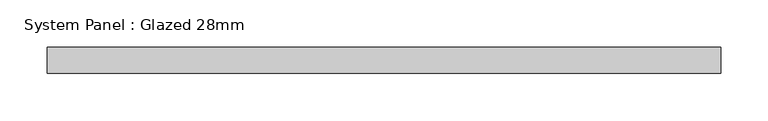
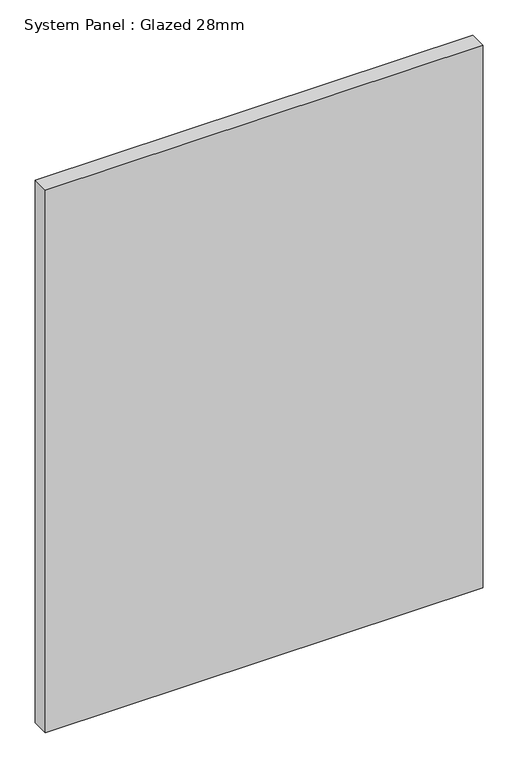
"""IFC4 building model written with IfcOpenShell, lengths in millimetres: plate geometry, System Panel : Glazed 28mm."""

from ifc_helpers import new_model, si_unit, origin, origin_with_axes, place, context, project, spatial, polyline, outline, extrude, source, transform, mapped, element, save


def system_panel_glazed_28mm_413e9029(model_context):
    return source(origin(), model_context, "Body", "SweptSolid", [
        extrude(outline(polyline([(358.0500179, -14.0), (-358.0500179, -14.0), (-358.0500179, 14.0), (358.0500179, 14.0), (358.0500179, -14.0)])), origin_with_axes(), (0.0, 0.0, 1.0), 938.0064583),
    ])


if __name__ == "__main__":
    model = new_model("IFC4")
    model_context = context("Model", 3, world=origin())
    ifc_project = project(units=[si_unit("LENGTHUNIT", "METRE", prefix="MILLI")], contexts=[model_context])
    site = spatial("IfcSite", under=ifc_project)
    building = spatial("IfcBuilding", under=site)
    placement = place(None, origin())
    system_panel_glazed_28mm_shape = system_panel_glazed_28mm_413e9029(model_context)
    element("IfcPlate", 1, ObjectType="System Panel : Glazed 28mm", at=placement, inside=building, context=model_context, shape_type="MappedRepresentation", body=[
        mapped(system_panel_glazed_28mm_shape, transform((0.0, 0.0, 0.0), x_axis=(1.0, 0.0, 0.0), y_axis=(0.0, 1.0, 0.0), z_axis=(0.0, 0.0, 1.0))),
    ])
    save(model, "model.ifc")
